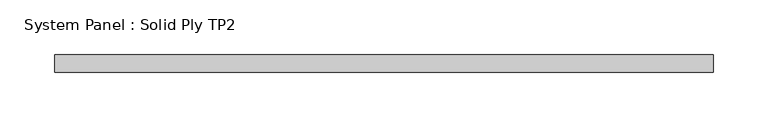
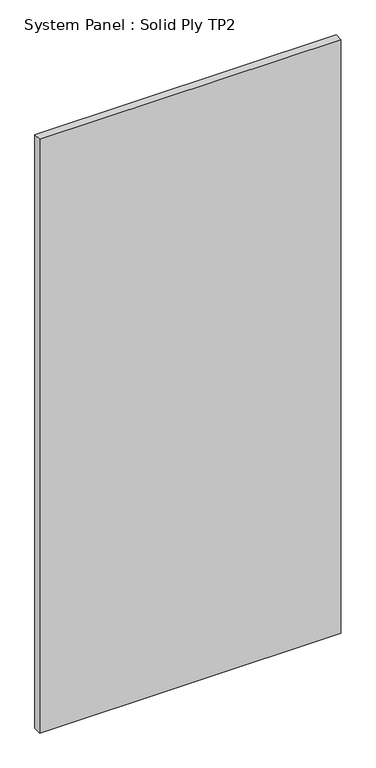
"""IFC4 building model written with IfcOpenShell, lengths in millimetres: plate geometry, System Panel : Solid Ply TP2."""

from ifc_helpers import new_model, si_unit, origin, origin_with_axes, place, context, project, spatial, polyline, outline, extrude, source, transform, mapped, element, save


def system_panel_solid_ply_tp2_22b7ceff(model_context):
    return source(origin(), model_context, "Body", "SweptSolid", [
        extrude(outline(polyline([(300.0000002, -23.0), (-300.0000002, -23.0), (-300.0000002, -7.0), (300.0000002, -7.0), (300.0000002, -23.0)])), origin_with_axes(), (0.0, 0.0, 1.0), 1250.0),
    ])


if __name__ == "__main__":
    model = new_model("IFC4")
    model_context = context("Model", 3, world=origin())
    ifc_project = project(units=[si_unit("LENGTHUNIT", "METRE", prefix="MILLI")], contexts=[model_context])
    site = spatial("IfcSite", under=ifc_project)
    building = spatial("IfcBuilding", under=site)
    placement = place(None, origin())
    system_panel_solid_ply_tp2_shape = system_panel_solid_ply_tp2_22b7ceff(model_context)
    element("IfcPlate", 1, ObjectType="System Panel : Solid Ply TP2", at=placement, inside=building, context=model_context, shape_type="MappedRepresentation", body=[
        mapped(system_panel_solid_ply_tp2_shape, transform((0.0, 0.0, 0.0), x_axis=(1.0, 0.0, 0.0), y_axis=(0.0, 1.0, 0.0), z_axis=(0.0, 0.0, 1.0))),
    ])
    save(model, "model.ifc")
